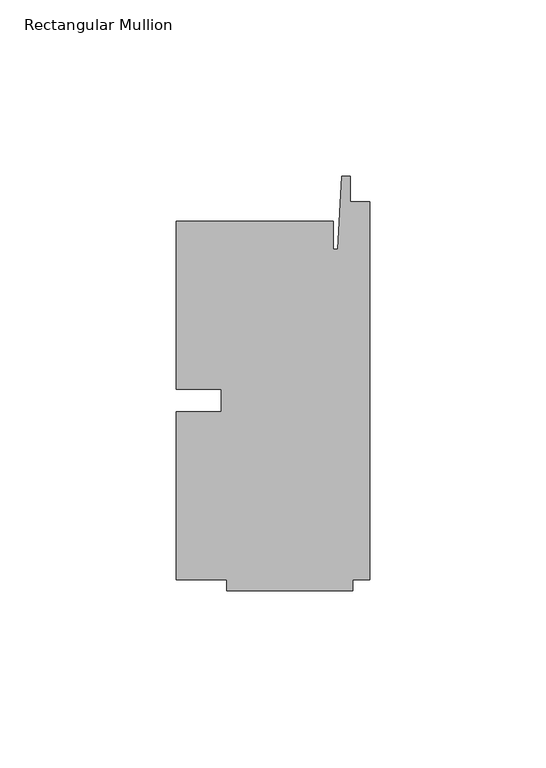
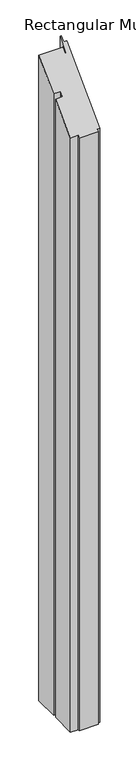
"""IFC4 building model written with IfcOpenShell, lengths in millimetres: member geometry, Rectangular Mullion."""

from ifc_helpers import new_model, si_unit, origin, place, context, project, spatial, faceted_brep, source, transform, mapped, element, save


def rectangular_mullion_046126b4(model_context):
    return source(origin(), model_context, "Body", "Brep", [
        faceted_brep([(-42.06875, -3.175, -1219.2), (-42.06875, 3.175, -1219.2), (-54.76875, 3.175, -1219.2), (-54.76875, 50.8, -1219.2), (-10.31875, 50.8, -1219.2), (-10.31875, 42.8625, -1219.2), (-9.0190655, 42.8625, -1219.2), (-7.9375, 63.5, -1219.2), (-5.55625, 63.5, -1219.2), (-5.55625, 56.35625, -1219.2), (0.0, 56.35625, -1219.2), (0.0, -50.8, -1219.2), (-4.7625, -50.8, -1219.2), (-4.7625, -53.975, -1219.2), (-40.48125, -53.975, -1219.2), (-40.48125, -50.8, -1219.2), (-54.76875, -50.8, -1219.2), (-54.76875, -3.175, -1219.2), (-54.76875, -3.175, -3.175), (-42.06875, -3.175, -3.175), (-54.76875, -50.8, -50.8), (-40.48125, -50.8, -50.8), (-40.48125, -53.975, -53.975), (-4.7625, -53.975, -53.975), (-4.7625, -50.8, -50.8), (0.0, -50.8, -50.8), (0.0, 56.35625, 56.35625), (-5.55625, 56.35625, 56.35625), (-5.55625, 63.5, 63.5), (-7.9375, 63.5, 63.5), (-9.0190655, 42.8625, 42.8625), (-10.31875, 42.8625, 42.8625), (-10.31875, 50.8, 50.8), (-54.76875, 50.8, 50.8), (-54.76875, 3.175, 3.175), (-42.06875, 3.175, 3.175)], [[[0, 1, 2, 3, 4, 5, 6, 7, 8, 9, 10, 11, 12, 13, 14, 15, 16, 17]], [[18, 19, 0, 17]], [[20, 18, 17, 16]], [[21, 20, 16, 15]], [[22, 21, 15, 14]], [[23, 22, 14, 13]], [[24, 23, 13, 12]], [[25, 24, 12, 11]], [[26, 25, 11, 10]], [[27, 26, 10, 9]], [[28, 27, 9, 8]], [[29, 28, 8, 7]], [[30, 29, 7, 6]], [[31, 30, 6, 5]], [[32, 31, 5, 4]], [[33, 32, 4, 3]], [[34, 33, 3, 2]], [[35, 34, 2, 1]], [[19, 35, 1, 0]], [[19, 18, 20, 21, 22, 23, 24, 25, 26, 27, 28, 29, 30, 31, 32, 33, 34, 35]]]),
    ])


if __name__ == "__main__":
    model = new_model("IFC4")
    model_context = context("Model", 3, world=origin())
    ifc_project = project(units=[si_unit("LENGTHUNIT", "METRE", prefix="MILLI")], contexts=[model_context])
    site = spatial("IfcSite", under=ifc_project)
    building = spatial("IfcBuilding", under=site)
    placement = place(None, origin())
    rectangular_mullion_shape = rectangular_mullion_046126b4(model_context)
    element("IfcMember", 1, ObjectType="Rectangular Mullion", at=placement, inside=building, context=model_context, shape_type="MappedRepresentation", body=[
        mapped(rectangular_mullion_shape, transform((0.0, 0.0, 0.0), x_axis=(1.0, 0.0, 0.0), y_axis=(0.0, 1.0, 0.0), z_axis=(0.0, 0.0, 1.0))),
    ])
    save(model, "model.ifc")
